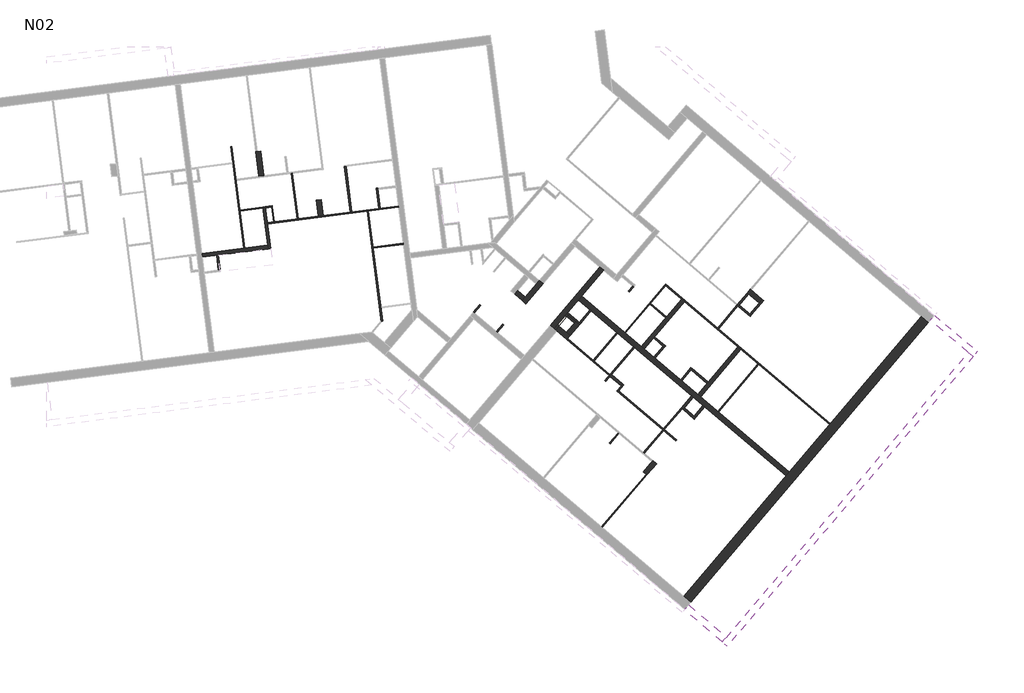
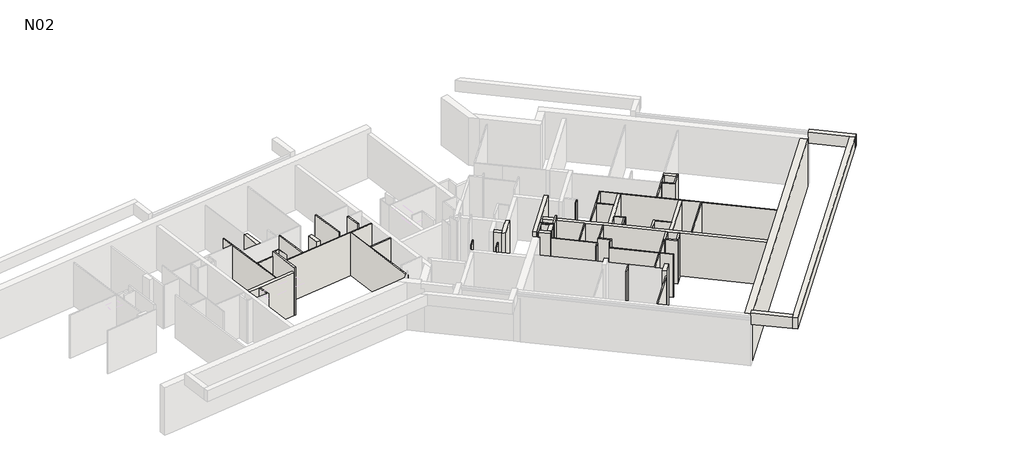
# One storey, part 2 of 3: 61 walls.
"""IFC4 building model written with IfcOpenShell, lengths in millimetres."""

import ifcopenshell
import ifcopenshell.guid

model = None  # the IFC model being written
_history = None  # IfcOwnerHistory: only IFC2X3 demands one
_inside = {}  # id of a spatial element -> (the spatial element, [elements in it])
_under = {}  # id of a project, library or spatial element -> (it, [spatial elements below it])
_declared = {}  # id of a project -> (the project, [libraries it declares])
_typed = {}  # id of a type object -> (the type object, [elements of that type])
_made_of = {}  # id of a material, layer set ... -> (it, [elements and type objects made of it])


def new_model(schema):
    """Start an empty IFC model of exactly this schema.

    Asked for "IFC4X3", IfcOpenShell would pick the latest addendum, in which some entities
    have other attributes; the version numbers below select the first issue.
    IFC2X3 requires an IfcOwnerHistory on every rooted entity: one is made here for all.
    """
    global model, _history
    if schema == "IFC4X3":
        model = ifcopenshell.file(schema_version=(4, 3, 0, 0))
    else:
        model = ifcopenshell.file(schema=schema)
    _inside.clear()
    _under.clear()
    _declared.clear()
    _typed.clear()
    _made_of.clear()
    _history = None
    if model.schema == "IFC2X3":
        org = make("IfcOrganization", Name="unknown")
        user = make(
            "IfcPersonAndOrganization",
            ThePerson=make("IfcPerson", FamilyName="unknown"),
            TheOrganization=org,
        )
        app = make(
            "IfcApplication",
            ApplicationDeveloper=org,
            Version="unknown",
            ApplicationFullName="unknown",
            ApplicationIdentifier="unknown",
        )
        _history = make(
            "IfcOwnerHistory",
            OwningUser=user,
            OwningApplication=app,
            ChangeAction="ADDED",
            CreationDate=0,
        )
    return model


def make(cls, **values):
    """One entity of the class cls with the attributes given. An attribute that is None is left unset."""
    return model.create_entity(
        cls, **{name: value for name, value in values.items() if value is not None}
    )


def rooted(cls, **values):
    """An entity with a GlobalId (a new one), such as an element, a storey or a relation."""
    return make(cls, GlobalId=ifcopenshell.guid.new(), OwnerHistory=_history, **values)


def si_unit(unit_type, name, prefix=None):
    """IfcSIUnit, for example si_unit("LENGTHUNIT", "METRE", prefix="MILLI")."""
    return make("IfcSIUnit", UnitType=unit_type, Prefix=prefix, Name=name)


def assignment(units):
    """IfcUnitAssignment: the units of a project."""
    return None if units is None else make("IfcUnitAssignment", Units=units)


def point(xyz):
    """IfcCartesianPoint."""
    return None if xyz is None else make("IfcCartesianPoint", Coordinates=xyz)


def direction(xyz):
    """IfcDirection."""
    return None if xyz is None else make("IfcDirection", DirectionRatios=xyz)


def frame(location, z_axis=None, x_axis=None):
    """IfcAxis2Placement3D, a coordinate frame: its origin and axes. An axis left out is left unset."""
    return make(
        "IfcAxis2Placement3D",
        Location=point(location),
        Axis=direction(z_axis),
        RefDirection=direction(x_axis),
    )


def origin():
    """The frame at (0, 0, 0) with its axes left unset."""
    return frame((0.0, 0.0, 0.0))


def place(relative_to, where):
    """IfcLocalPlacement: puts the frame where relative to a parent placement (None: the world)."""
    return make(
        "IfcLocalPlacement", PlacementRelTo=relative_to, RelativePlacement=where
    )


def context(
    kind, dimensions, precision=None, world=None, true_north=None, identifier=None
):
    """IfcGeometricRepresentationContext, for example the 3D "Model" context."""
    return make(
        "IfcGeometricRepresentationContext",
        ContextIdentifier=identifier,
        ContextType=kind,
        CoordinateSpaceDimension=dimensions,
        Precision=precision,
        WorldCoordinateSystem=world,
        TrueNorth=true_north,
    )


def project(units=None, contexts=None):
    """IfcProject with its units and contexts."""
    return rooted(
        "IfcProject",
        Name="project",
        RepresentationContexts=contexts,
        UnitsInContext=assignment(units),
    )


def spatial(cls, under=None, at=None, **own):
    """A site, building, storey or space (cls), placed at a placement, below another one or the project."""
    s = rooted(cls, ObjectPlacement=at, **own)
    if under is not None:
        _under.setdefault(under.id(), (under, []))[1].append(s)
    return s


def polyline(points):
    """IfcPolyline through the points."""
    return make("IfcPolyline", Points=[point(p) for p in points])


def outline(outer, holes=None, kind="AREA"):
    """IfcArbitraryClosedProfileDef: a profile drawn as a closed curve; with holes, ...WithVoids."""
    if holes is None:
        return make("IfcArbitraryClosedProfileDef", ProfileType=kind, OuterCurve=outer)
    return make(
        "IfcArbitraryProfileDefWithVoids",
        ProfileType=kind,
        OuterCurve=outer,
        InnerCurves=holes,
    )


def extrude(swept, where, along, depth):
    """IfcExtrudedAreaSolid: the profile swept, set in the frame where, extruded along a direction by depth."""
    return make(
        "IfcExtrudedAreaSolid",
        SweptArea=swept,
        Position=where,
        ExtrudedDirection=direction(along),
        Depth=depth,
    )


def faces_of(points, faces, orient=None, outer=None):
    """IfcFace entities. A face is a list of loops; a loop is a list of indices into points, from 0.

    orient and outer hold one flag for each loop. By default every Orientation is true, the
    first loop of a face is its IfcFaceOuterBound and the others are IfcFaceBound.
    """
    made = []
    for i, loops in enumerate(faces):
        bounds = []
        for j, loop in enumerate(loops):
            is_outer = j == 0 if outer is None else outer[i][j]
            bounds.append(
                make(
                    "IfcFaceOuterBound" if is_outer else "IfcFaceBound",
                    Bound=make("IfcPolyLoop", Polygon=[points[k] for k in loop]),
                    Orientation=True if orient is None else orient[i][j],
                )
            )
        made.append(make("IfcFace", Bounds=bounds))
    return made


def faceted_brep(points, faces, orient=None, outer=None, voids=None):
    """IfcFacetedBrep: a solid bounded by flat faces; with voids (closed shells), ...WithVoids."""
    shared = [point(p) for p in points]
    hull = make("IfcClosedShell", CfsFaces=faces_of(shared, faces, orient, outer))
    if voids is None:
        return make("IfcFacetedBrep", Outer=hull)
    return make(
        "IfcFacetedBrepWithVoids",
        Outer=hull,
        Voids=[
            make(cls, CfsFaces=faces_of(shared, fs, o, b)) for cls, fs, o, b in voids
        ],
    )


def shape(context_of_items, identifier, shape_type, items):
    """IfcShapeRepresentation: the items that make up one representation, for example the "Body"."""
    return make(
        "IfcShapeRepresentation",
        ContextOfItems=context_of_items,
        RepresentationIdentifier=identifier,
        RepresentationType=shape_type,
        Items=items,
    )


def made_of(thing, what):
    """Note that an element or type object is made of a material, layer set ...; save() writes the relation."""
    if what is not None:
        _made_of.setdefault(what.id(), (what, []))[1].append(thing)
    return thing


def element(
    cls,
    number,
    at=None,
    inside=None,
    cuts=None,
    type_object=None,
    material=None,
    context=None,
    identifier="Body",
    shape_type=None,
    held_by="IfcProductDefinitionShape",
    body=None,
    shapes=None,
    **own,
):
    """One element of the class cls, such as IfcWall. Its Tag is "e" and its number.

    at: its placement. inside: the storey or other place that contains it. cuts: it is an
    opening in that element (IfcRelVoidsElement). A single representation is given by context,
    identifier, shape_type and body (its items); several are given by shapes. held_by: the class
    of the entity that holds the representations. save() writes the other relations.
    """
    e = rooted(cls, Tag="e%d" % number, ObjectPlacement=at, **own)
    if body is not None:
        shapes = [shape(context, identifier, shape_type, body)]
    if shapes is not None:
        e.Representation = make(held_by, Representations=shapes)
    if inside is not None:
        _inside.setdefault(inside.id(), (inside, []))[1].append(e)
    if cuts is not None:
        rooted(
            "IfcRelVoidsElement", RelatingBuildingElement=cuts, RelatedOpeningElement=e
        )
    if type_object is not None:
        _typed.setdefault(type_object.id(), (type_object, []))[1].append(e)
    return made_of(e, material)


def aggregate(whole, parts):
    """IfcRelAggregates: a whole, such as a stair, and the parts it consists of."""
    return rooted("IfcRelAggregates", RelatingObject=whole, RelatedObjects=parts)


def save(model, path):
    """Write the relations noted so far, then the file.

    IfcRelAggregates (storeys below a building ...), IfcRelContainedInSpatialStructure (elements
    in a storey), IfcRelDefinesByType, IfcRelAssociatesMaterial and IfcRelDeclares: one each for
    every whole, place, type object, material and project.
    """
    for whole, parts in _under.values():
        aggregate(whole, parts)
    for where, things in _inside.values():
        rooted(
            "IfcRelContainedInSpatialStructure",
            RelatedElements=things,
            RelatingStructure=where,
        )
    for kind, things in _typed.values():
        rooted("IfcRelDefinesByType", RelatedObjects=things, RelatingType=kind)
    for what, things in _made_of.values():
        rooted("IfcRelAssociatesMaterial", RelatedObjects=things, RelatingMaterial=what)
    for by, libraries in _declared.values():
        rooted("IfcRelDeclares", RelatingContext=by, RelatedDefinitions=libraries)
    model.write(path)


model = new_model("IFC4")

# Units and contexts
model_context = context("Model", 3, world=origin())
ifc_project = project(units=[si_unit("LENGTHUNIT", "METRE", prefix="MILLI")], contexts=[model_context])

# Site, building, storey
site = spatial("IfcSite", under=ifc_project)
building = spatial("IfcBuilding", under=site)
storey = spatial("IfcBuildingStorey", under=building, Name="N02", Elevation=5840.0)

# Walls
placement = place(None, origin())
element("IfcWall", 1, at=placement, inside=storey, context=model_context, shape_type="Brep", body=[
    faceted_brep([(28349.5327638, 14866.2082043, 5840.0), (23044.8025054, 8615.744738, 5840.0), (22915.3884819, 8463.2586386, 5840.0), (18798.7778311, 3612.7340644, 5840.0), (18798.7778311, 3612.7340644, 8610.0), (28349.5327638, 14866.2082043, 8610.0), (19080.8771151, 3373.318121, 5840.0), (28631.6320478, 14626.7922609, 5840.0), (28631.6320478, 14626.7922609, 8610.0), (19080.8771151, 3373.318121, 8610.0)], [[[0, 1, 2, 3, 4, 5]], [[6, 7, 8, 9]], [[3, 2, 1, 0, 7, 6]], [[5, 4, 9, 8]], [[0, 5, 8, 7]], [[4, 3, 6, 9]]]),
])
element("IfcWall", 2, at=placement, inside=storey, context=model_context, shape_type="Brep", body=[
    faceted_brep([(23044.8025054, 8615.744738, 5840.0), (20203.3756075, 11027.2464329, 5840.0), (20165.2540826, 11059.5999387, 5840.0), (19479.0666351, 11641.9630444, 5840.0), (19357.0777555, 11745.4942632, 5840.0), (18724.2604428, 12282.5624606, 5840.0), (18670.890308, 12327.8573688, 5840.0), (17219.7762145, 13559.409058, 5840.0), (17097.7873349, 13662.9402767, 5840.0), (16457.3457172, 14206.4791754, 5840.0), (16419.2241924, 14238.8326812, 5840.0), (14698.6274171, 15699.0926804, 5840.0), (14698.6274171, 15699.0926804, 8340.0), (16419.2241924, 14238.8326812, 8340.0), (16457.3457172, 14206.4791754, 8340.0), (17097.7873349, 13662.9402767, 8340.0), (17219.7762145, 13559.409058, 8340.0), (18670.890308, 12327.8573688, 8340.0), (18724.2604428, 12282.5624606, 8340.0), (19357.0777555, 11745.4942632, 8340.0), (19479.0666351, 11641.9630444, 8340.0), (20165.2540826, 11059.5999387, 8340.0), (20203.3756075, 11027.2464329, 8340.0), (23044.8025054, 8615.744738, 8340.0), (22915.3884819, 8463.2586386, 5840.0), (22915.3884819, 8463.2586386, 8340.0), (19648.4348699, 11235.9022629, 8340.0), (19572.1918202, 11300.6092746, 8340.0), (19190.9765715, 11624.1443333, 8340.0), (19114.7335218, 11688.851345, 8340.0), (16822.4519677, 13634.2967327, 8340.0), (16784.3304428, 13666.6502385, 8340.0), (16151.51313, 14203.718436, 8340.0), (16113.3916052, 14236.0719418, 8340.0), (14569.2133936, 15546.6065809, 8340.0), (14569.2133936, 15546.6065809, 5840.0), (16113.3916052, 14236.0719418, 5840.0), (16151.51313, 14203.718436, 5840.0), (16784.3304428, 13666.6502385, 5840.0), (16822.4519677, 13634.2967327, 5840.0), (19114.7335218, 11688.851345, 5840.0), (19190.9765715, 11624.1443333, 5840.0), (19572.1918202, 11300.6092746, 5840.0), (19648.4348699, 11235.9022629, 5840.0)], [[[0, 1, 2, 3, 4, 5, 6, 7, 8, 9, 10, 11, 12, 13, 14, 15, 16, 17, 18, 19, 20, 21, 22, 23]], [[24, 25, 26, 27, 28, 29, 30, 31, 32, 33, 34, 35, 36, 37, 38, 39, 40, 41, 42, 43]], [[11, 10, 9, 8, 7, 6, 5, 4, 3, 2, 1, 0, 24, 43, 42, 41, 40, 39, 38, 37, 36, 35]], [[23, 22, 21, 20, 19, 18, 17, 16, 15, 14, 13, 12, 34, 33, 32, 31, 30, 29, 28, 27, 26, 25]], [[0, 23, 25, 24]], [[12, 11, 35, 34]]]),
])
element("IfcWall", 3, at=placement, inside=storey, context=model_context, shape_type="Brep", body=[
    faceted_brep([(30240.6121576, 13431.7679907, 8280.0), (20521.6189944, 1980.0619216, 8280.0), (20353.3807639, 1781.8299923, 8280.0), (20353.3807639, 1781.8299923, 8920.0), (20521.6189944, 1980.0619216, 8920.0), (30240.6121576, 13431.7679907, 8920.0), (30438.8440869, 13263.5297602, 8280.0), (30438.8440869, 13263.5297602, 8920.0), (20551.6126932, 1613.5917618, 8920.0), (20551.6126932, 1613.5917618, 8280.0)], [[[0, 1, 2, 3, 4, 5]], [[6, 7, 8, 9]], [[2, 1, 0, 6, 9]], [[5, 4, 3, 8, 7]], [[0, 5, 7, 6]], [[3, 2, 9, 8]]]),
])
element("IfcWall", 4, at=placement, inside=storey, context=model_context, shape_type="SweptSolid", body=[
    extrude(outline(polyline([(18996.7579999, 3274.2021564), (20521.6189944, 1980.0619216), (20353.3807639, 1781.8299923), (18828.5197694, 3075.9702271), (18996.7579999, 3274.2021564)])), frame((0.0, 0.0, 8280.0), z_axis=(0.0, 0.0, 1.0), x_axis=(1.0, 0.0, 0.0)), (0.0, 0.0, 1.0), 640.0),
])
element("IfcWall", 5, at=placement, inside=storey, context=model_context, shape_type="Brep", body=[
    faceted_brep([(13586.371073, 14388.5420388, 5840.0), (14569.2133936, 15546.6065809, 5840.0), (14698.6274171, 15699.0926804, 5840.0), (15578.6427768, 16735.9981567, 5840.0), (15578.6427768, 16735.9981567, 8610.0), (13586.371073, 14388.5420388, 8610.0), (13433.8849736, 14517.9560622, 5840.0), (13433.8849736, 14517.9560622, 8340.0), (13433.8849736, 14517.9560622, 8610.0), (15426.1566773, 16865.4121802, 8610.0), (15426.1566773, 16865.4121802, 5840.0)], [[[0, 1, 2, 3, 4, 5]], [[6, 7, 8, 9, 10]], [[3, 2, 1, 0, 6, 10]], [[5, 4, 9, 8]], [[0, 5, 8, 7, 6]], [[4, 3, 10, 9]]]),
])
element("IfcWall", 6, at=placement, inside=storey, context=model_context, shape_type="Brep", body=[
    faceted_brep([(28715.751163, 14725.9082255, 8280.0), (30240.6121576, 13431.7679907, 8280.0), (30438.8440869, 13263.5297602, 8280.0), (30438.8440869, 13263.5297602, 8920.0), (30240.6121576, 13431.7679907, 8920.0), (28715.751163, 14725.9082255, 8920.0), (30607.0823174, 13461.7616895, 8280.0), (28883.9893936, 14924.1401548, 8280.0), (28883.9893936, 14924.1401548, 8600.0), (28894.0525555, 14915.5996106, 8600.0), (28894.0525555, 14915.5996106, 8752.4), (28883.9893936, 14924.1401548, 8752.4), (28883.9893936, 14924.1401548, 8920.0), (30607.0823174, 13461.7616895, 8920.0), (28871.0479912, 14908.8915449, 8752.4), (28871.0479912, 14908.8915449, 8610.0), (28871.0479912, 14908.8915449, 8600.0), (28881.1111531, 14900.3510007, 8600.0), (28881.1111531, 14900.3510007, 8752.4)], [[[0, 1, 2, 3, 4, 5]], [[6, 7, 8, 9, 10, 11, 12, 13]], [[2, 1, 0, 7, 6]], [[5, 4, 3, 13, 12]], [[3, 2, 6, 13]], [[7, 0, 5, 12, 11, 14, 15, 16, 8]], [[17, 18, 10, 9]], [[18, 17, 16, 15, 14]], [[10, 18, 14, 11]], [[17, 9, 8, 16]]]),
])
element("IfcWall", 7, at=placement, inside=storey, context=model_context, shape_type="Brep", body=[
    faceted_brep([(12998.0125548, 16326.6822904, 5840.0), (12868.5985313, 16174.196191, 5840.0), (12435.0615526, 15663.3677578, 5840.0), (12305.6475292, 15510.8816583, 5840.0), (12305.6475292, 15510.8816583, 8340.0), (12435.0615526, 15663.3677578, 8340.0), (12868.5985313, 16174.196191, 8340.0), (12998.0125548, 16326.6822904, 8340.0), (13150.4986542, 16197.2682669, 5840.0), (13150.4986542, 16197.2682669, 8340.0), (12458.1336286, 15381.4676348, 8340.0), (12458.1336286, 15381.4676348, 5840.0)], [[[0, 1, 2, 3, 4, 5, 6, 7]], [[8, 9, 10, 11]], [[3, 2, 1, 0, 8, 11]], [[7, 6, 5, 4, 10, 9]], [[4, 3, 11, 10]], [[0, 7, 9, 8]]]),
])
element("IfcWall", 8, at=placement, inside=storey, context=model_context, shape_type="SweptSolid", body=[
    extrude(outline(polyline([(12305.6475292, 15510.8816583), (12000.6753302, 15769.7097053), (12130.0893537, 15922.1958047), (12435.0615526, 15663.3677578), (12305.6475292, 15510.8816583)])), frame((0.0, 0.0, 5840.0), z_axis=(0.0, 0.0, 1.0), x_axis=(1.0, 0.0, 0.0)), (0.0, 0.0, 1.0), 2500.0),
])
element("IfcWall", 9, at=placement, inside=storey, context=model_context, shape_type="SweptSolid", body=[
    extrude(outline(polyline([(14152.0802044, 14931.4722172), (14457.0524033, 14672.6441703), (14405.2867939, 14611.6497305), (14100.314595, 14870.4777775), (14152.0802044, 14931.4722172)])), frame((0.0, 0.0, 5840.0), z_axis=(0.0, 0.0, 1.0), x_axis=(1.0, 0.0, 0.0)), (0.0, 0.0, 1.0), 2770.0),
])
element("IfcWall", 10, at=placement, inside=storey, context=model_context, shape_type="Brep", body=[
    faceted_brep([(14091.0857646, 14983.2378266, 5840.0), (13586.371073, 14388.5420388, 5840.0), (13586.371073, 14388.5420388, 8610.0), (14091.0857646, 14983.2378266, 8610.0), (14019.9080517, 14899.3704719, 7340.0), (13728.7264989, 14556.2767482, 7340.0), (13728.7264989, 14556.2767482, 6340.0), (14019.9080517, 14899.3704719, 6340.0), (13647.3655128, 14336.7764294, 8610.0), (13647.3655128, 14336.7764294, 5840.0), (13776.7795363, 14489.2625288, 5840.0), (14100.314595, 14870.4777775, 5840.0), (14152.0802044, 14931.4722172, 5840.0), (14152.0802044, 14931.4722172, 8610.0), (14100.314595, 14870.4777775, 8610.0), (13776.7795363, 14489.2625288, 8610.0), (13789.7209386, 14504.5111388, 7340.0), (14080.9024915, 14847.6048625, 7340.0), (14080.9024915, 14847.6048625, 6340.0), (13789.7209386, 14504.5111388, 6340.0)], [[[0, 1, 2, 3], [4, 5, 6, 7]], [[8, 9, 10, 11, 12, 13, 14, 15], [16, 17, 18, 19]], [[1, 0, 12, 11, 10, 9]], [[3, 2, 8, 15, 14, 13]], [[4, 17, 16, 5]], [[6, 19, 18, 7]], [[17, 4, 7, 18]], [[5, 16, 19, 6]], [[0, 3, 13, 12]], [[1, 9, 8, 2]]]),
])
element("IfcWall", 11, at=placement, inside=storey, context=model_context, shape_type="Brep", body=[
    faceted_brep([(13647.3655128, 14336.7764294, 5840.0), (13700.7356476, 14291.4815212, 5840.0), (14104.8238112, 13948.5343589, 5840.0), (14104.8238112, 13948.5343589, 8340.0), (14104.8238112, 13948.5343589, 8610.0), (13647.3655128, 14336.7764294, 8610.0), (13776.7795363, 14489.2625288, 5840.0), (13776.7795363, 14489.2625288, 8610.0), (14081.7517352, 14230.4344819, 8610.0), (14234.2378347, 14101.0204584, 8610.0), (14234.2378347, 14101.0204584, 5840.0), (14081.7517352, 14230.4344819, 5840.0), (14137.1773171, 13986.6558838, 5840.0)], [[[0, 1, 2, 3, 4, 5]], [[6, 7, 8, 9, 10, 11]], [[2, 1, 0, 6, 11, 10, 12]], [[5, 4, 9, 8, 7]], [[4, 3, 2, 12, 10, 9]], [[0, 5, 7, 6]]]),
])
element("IfcWall", 12, at=placement, inside=storey, context=model_context, shape_type="Brep", body=[
    faceted_brep([(14234.2378347, 14101.0204584, 8610.0), (14234.2378347, 14101.0204584, 5840.0), (14609.5385027, 14543.2301468, 5840.0), (14609.5385027, 14543.2301468, 8610.0), (14081.7517352, 14230.4344819, 5840.0), (14081.7517352, 14230.4344819, 8610.0), (14405.2867939, 14611.6497305, 8610.0), (14457.0524033, 14672.6441703, 8610.0), (14457.0524033, 14672.6441703, 5840.0), (14405.2867939, 14611.6497305, 5840.0)], [[[0, 1, 2, 3]], [[4, 5, 6, 7, 8, 9]], [[2, 1, 4, 9, 8]], [[0, 3, 7, 6, 5]], [[0, 5, 4, 1]], [[3, 2, 8, 7]]]),
])
element("IfcWall", 13, ObjectType="CLO 10", at=placement, inside=storey, context=model_context, shape_type="Brep", body=[
    faceted_brep([(2196.7926161, 17609.779786, 5840.0), (2070.0916156, 18601.1139866, 5840.0), (2063.7527505, 18650.7105469, 5840.0), (1987.6863688, 19245.8692699, 5840.0), (1981.3475037, 19295.4658301, 5840.0), (1981.3475037, 19295.4658301, 8610.0), (1987.6863688, 19245.8692699, 8610.0), (2196.7926161, 17609.779786, 8610.0), (2097.5994956, 17597.1020558, 5840.0), (2097.5994956, 17597.1020558, 8340.0), (2097.5994956, 17597.1020558, 8610.0), (1882.1543832, 19282.7880998, 8610.0), (1882.1543832, 19282.7880998, 8340.0), (1882.1543832, 19282.7880998, 5840.0), (1888.4932483, 19233.1915396, 5840.0), (2077.3151272, 17755.8110486, 5840.0)], [[[0, 1, 2, 3, 4, 5, 6, 7]], [[8, 9, 10, 11, 12, 13, 14, 15]], [[4, 3, 2, 1, 0, 8, 15, 14, 13]], [[7, 6, 5, 11, 10]], [[0, 7, 10, 9, 8]], [[4, 13, 12, 11, 5]]]),
])
element("IfcWall", 14, ObjectType="CLO 10", at=placement, inside=storey, context=model_context, shape_type="Brep", body=[
    faceted_brep([(19114.7335218, 11688.851345, 5840.0), (18694.1379455, 11193.2715218, 5840.0), (18694.1379455, 11193.2715218, 8340.0), (19114.7335218, 11688.851345, 8340.0), (19190.9765715, 11624.1443333, 5840.0), (19190.9765715, 11624.1443333, 8340.0), (18835.0880069, 11204.8075598, 8340.0), (18770.3809952, 11128.5645101, 8340.0), (18770.3809952, 11128.5645101, 5840.0), (18835.0880069, 11204.8075598, 5840.0), (18732.2594703, 11160.9180159, 5840.0), (18732.2594703, 11160.9180159, 8340.0)], [[[0, 1, 2, 3]], [[4, 5, 6, 7, 8, 9]], [[1, 0, 4, 9, 8, 10]], [[3, 2, 11, 7, 6, 5]], [[0, 3, 5, 4]], [[2, 1, 10, 8, 7, 11]]]),
])
element("IfcWall", 15, ObjectType="CLO 10", at=placement, inside=storey, context=model_context, shape_type="Brep", body=[
    faceted_brep([(18770.3809952, 11128.5645101, 5840.0), (19227.8392936, 10740.3224396, 5840.0), (19227.8392936, 10740.3224396, 8340.0), (18770.3809952, 11128.5645101, 8340.0), (18835.0880069, 11204.8075598, 5840.0), (18835.0880069, 11204.8075598, 8340.0), (19216.3032556, 10881.2725011, 8340.0), (19292.5463053, 10816.5654894, 8340.0), (19292.5463053, 10816.5654894, 5840.0), (19216.3032556, 10881.2725011, 5840.0)], [[[0, 1, 2, 3]], [[4, 5, 6, 7, 8, 9]], [[1, 0, 4, 9, 8]], [[3, 2, 7, 6, 5]], [[2, 1, 8, 7]], [[0, 3, 5, 4]]]),
])
element("IfcWall", 16, ObjectType="CLO 10", at=placement, inside=storey, context=model_context, shape_type="SweptSolid", body=[
    extrude(outline(polyline([(19648.4348699, 11235.9022629), (19292.5463053, 10816.5654894), (19216.3032556, 10881.2725011), (19572.1918202, 11300.6092746), (19648.4348699, 11235.9022629)])), frame((0.0, 0.0, 5840.0), z_axis=(0.0, 0.0, 1.0), x_axis=(1.0, 0.0, 0.0)), (0.0, 0.0, 1.0), 2500.0),
])
element("IfcWall", 17, ObjectType="CLO 10", at=placement, inside=storey, context=model_context, shape_type="SweptSolid", body=[
    extrude(outline(polyline([(15897.1416998, 12544.0211215), (16354.5999982, 12155.7790511), (16289.8929864, 12079.5360014), (15832.4346881, 12467.7780718), (15897.1416998, 12544.0211215)])), frame((0.0, 0.0, 5840.0), z_axis=(0.0, 0.0, 1.0), x_axis=(1.0, 0.0, 0.0)), (0.0, 0.0, 1.0), 2770.0),
])
element("IfcWall", 18, ObjectType="CLO 2", at=placement, inside=storey, context=model_context, shape_type="Brep", body=[
    faceted_brep([(2235.6691701, 19277.5635956, 5840.0), (2311.7355518, 18682.4048725, 5840.0), (2311.7355518, 18682.4048725, 8610.0), (2235.6691701, 19277.5635956, 8610.0), (2255.5077942, 19280.0991416, 5840.0), (2255.5077942, 19280.0991416, 8610.0), (2331.5741759, 18684.9404186, 8610.0), (2331.5741759, 18684.9404186, 7940.0), (2331.5741759, 18684.9404186, 5840.0)], [[[0, 1, 2, 3]], [[4, 5, 6, 7, 8]], [[1, 0, 4, 8]], [[3, 2, 6, 5]], [[0, 3, 5, 4]], [[2, 1, 8, 7, 6]]]),
])
element("IfcWall", 19, ObjectType="CLO 5", at=placement, inside=storey, context=model_context, shape_type="Brep", body=[
    faceted_brep([(24711.8920463, 10549.1363042, 5840.0), (18071.0651233, 16185.1656498, 5840.0), (18071.0651233, 16185.1656498, 8340.0), (20160.1819776, 14412.144905, 8340.0), (20198.3035024, 14379.7913992, 8340.0), (24711.8920463, 10549.1363042, 8340.0), (24679.5385405, 10511.0147794, 5840.0), (24679.5385405, 10511.0147794, 8340.0), (21822.8630326, 12935.4578765, 8340.0), (21784.7415077, 12967.8113824, 8340.0), (21098.5540602, 13550.1744881, 8340.0), (20976.5651806, 13653.7057069, 8340.0), (18839.2636396, 15467.6205017, 8340.0), (18717.2747601, 15571.1517204, 8340.0), (18076.8331423, 16114.690619, 8340.0), (18038.7116175, 16147.0441249, 8340.0), (18038.7116175, 16147.0441249, 5840.0), (18076.8331423, 16114.690619, 5840.0), (18717.2747601, 15571.1517204, 5840.0), (18839.2636396, 15467.6205017, 5840.0), (20976.5651806, 13653.7057069, 5840.0), (21098.5540602, 13550.1744881, 5840.0), (21784.7415077, 12967.8113824, 5840.0), (21822.8630326, 12935.4578765, 5840.0)], [[[0, 1, 2, 3, 4, 5]], [[6, 7, 8, 9, 10, 11, 12, 13, 14, 15, 16, 17, 18, 19, 20, 21, 22, 23]], [[1, 0, 6, 23, 22, 21, 20, 19, 18, 17, 16]], [[5, 4, 3, 2, 15, 14, 13, 12, 11, 10, 9, 8, 7]], [[0, 5, 7, 6]], [[2, 1, 16, 15]]]),
])
element("IfcWall", 20, ObjectType="CLO 5", at=placement, inside=storey, context=model_context, shape_type="Brep", body=[
    faceted_brep([(17442.7044273, 15367.5087317, 5840.0), (18083.146045, 14823.9698331, 5840.0), (18083.146045, 14823.9698331, 8340.0), (17442.7044273, 15367.5087317, 8340.0), (17442.7044273, 15367.5087317, 7940.0), (17475.0579332, 15405.6302566, 5840.0), (17475.0579332, 15405.6302566, 7940.0), (17475.0579332, 15405.6302566, 8340.0), (18115.4995509, 14862.091358, 8340.0), (18115.4995509, 14862.091358, 5840.0)], [[[0, 1, 2, 3, 4]], [[5, 6, 7, 8, 9]], [[1, 0, 5, 9]], [[3, 2, 8, 7]], [[0, 4, 3, 7, 6, 5]], [[2, 1, 9, 8]]]),
])
element("IfcWall", 21, ObjectType="CLO 5", at=placement, inside=storey, context=model_context, shape_type="SweptSolid", body=[
    extrude(outline(polyline([(21822.8630326, 12935.4578765), (20203.3756075, 11027.2464329), (20165.2540826, 11059.5999387), (21784.7415077, 12967.8113824), (21822.8630326, 12935.4578765)])), frame((0.0, 0.0, 5840.0), z_axis=(0.0, 0.0, 1.0), x_axis=(1.0, 0.0, 0.0)), (0.0, 0.0, 1.0), 2500.0),
])
element("IfcWall", 22, ObjectType="CLO 5", at=placement, inside=storey, context=model_context, shape_type="Brep", body=[
    faceted_brep([(18038.7116175, 16147.0441249, 5840.0), (16419.2241924, 14238.8326812, 5840.0), (16419.2241924, 14238.8326812, 8340.0), (18038.7116175, 16147.0441249, 8340.0), (18076.8331423, 16114.690619, 5840.0), (18076.8331423, 16114.690619, 8340.0), (17475.0579332, 15405.6302566, 8340.0), (17442.7044273, 15367.5087317, 8340.0), (16457.3457172, 14206.4791754, 8340.0), (16457.3457172, 14206.4791754, 5840.0), (17442.7044273, 15367.5087317, 5840.0), (17475.0579332, 15405.6302566, 5840.0)], [[[0, 1, 2, 3]], [[4, 5, 6, 7, 8, 9, 10, 11]], [[1, 0, 4, 11, 10, 9]], [[3, 2, 8, 7, 6, 5]], [[2, 1, 9, 8]], [[0, 3, 5, 4]]]),
])
element("IfcWall", 23, ObjectType="CLO 5", at=placement, inside=storey, context=model_context, shape_type="SweptSolid", body=[
    extrude(outline(polyline([(6311.9700665, 17673.0961097), (7522.1261366, 17827.764419), (7528.4650018, 17778.1678588), (6318.3089316, 17623.4995494), (6311.9700665, 17673.0961097)])), frame((0.0, 0.0, 5840.0), z_axis=(0.0, 0.0, 1.0), x_axis=(1.0, 0.0, 0.0)), (0.0, 0.0, 1.0), 2500.0),
])
element("IfcWall", 24, ObjectType="CLO 5", at=placement, inside=storey, context=model_context, shape_type="Brep", body=[
    faceted_brep([(2070.0916156, 18601.1139866, 5840.0), (6077.4936839, 19113.2942897, 5840.0), (6127.0902442, 19119.6331549, 5840.0), (7337.2463143, 19274.3014642, 5840.0), (7337.2463143, 19274.3014642, 8340.0), (6127.0902442, 19119.6331549, 8340.0), (6077.4936839, 19113.2942897, 8340.0), (2070.0916156, 18601.1139866, 8340.0), (2063.7527505, 18650.7105469, 5840.0), (2063.7527505, 18650.7105469, 8340.0), (3254.0701965, 18802.8433102, 8340.0), (3303.6667568, 18809.1821753, 8340.0), (7330.9074492, 19323.8980245, 8340.0), (7330.9074492, 19323.8980245, 5840.0), (6606.7976692, 19231.3505934, 5840.0), (6537.3624849, 19222.4761822, 5840.0), (5461.1171277, 19084.9228088, 5840.0), (5391.6819434, 19076.0483976, 5840.0), (4303.6661581, 18936.9906626, 5840.0), (4105.2799171, 18911.6352021, 5840.0), (3303.6667568, 18809.1821753, 5840.0), (3254.0701965, 18802.8433102, 5840.0), (2331.5741759, 18684.9404186, 5840.0), (2311.7355518, 18682.4048725, 5840.0)], [[[0, 1, 2, 3, 4, 5, 6, 7]], [[8, 9, 10, 11, 12, 13, 14, 15, 16, 17, 18, 19, 20, 21, 22, 23]], [[3, 2, 1, 0, 8, 23, 22, 21, 20, 19, 18, 17, 16, 15, 14, 13]], [[7, 6, 5, 4, 12, 11, 10, 9]], [[0, 7, 9, 8]], [[4, 3, 13, 12]]]),
])
element("IfcWall", 25, ObjectType="CLO 5", at=placement, inside=storey, context=model_context, shape_type="SweptSolid", body=[
    extrude(outline(polyline([(3070.3965197, 20634.3355925), (3303.6667568, 18809.1821753), (3254.0701965, 18802.8433102), (3020.7999595, 20627.9967274), (3070.3965197, 20634.3355925)])), frame((0.0, 0.0, 5840.0), z_axis=(0.0, 0.0, 1.0), x_axis=(1.0, 0.0, 0.0)), (0.0, 0.0, 1.0), 2500.0),
])
element("IfcWall", 26, ObjectType="CLO 5", at=placement, inside=storey, context=model_context, shape_type="Brep", body=[
    faceted_brep([(6692.4310716, 14696.2924149, 5840.0), (6318.3089316, 17623.4995494, 5840.0), (6311.9700665, 17673.0961097, 5840.0), (6127.0902442, 19119.6331549, 5840.0), (6127.0902442, 19119.6331549, 8340.0), (6311.9700665, 17673.0961097, 8340.0), (6318.3089316, 17623.4995494, 8340.0), (6692.4310716, 14696.2924149, 8340.0), (6648.6217842, 14644.672759, 5840.0), (6648.6217842, 14644.672759, 8340.0), (6077.4936839, 19113.2942897, 8340.0), (6077.4936839, 19113.2942897, 5840.0), (6640.0384435, 14711.8305493, 5840.0)], [[[0, 1, 2, 3, 4, 5, 6, 7]], [[8, 9, 10, 11, 12]], [[3, 2, 1, 0, 8, 12, 11]], [[7, 6, 5, 4, 10, 9]], [[0, 7, 9, 8]], [[4, 3, 11, 10]]]),
])
element("IfcWall", 27, ObjectType="CLO 5", at=placement, inside=storey, context=model_context, shape_type="SweptSolid", body=[
    extrude(outline(polyline([(959.6583625, 19164.8852083), (1882.1543832, 19282.7880998), (1888.4932483, 19233.1915396), (965.9972277, 19115.288648), (959.6583625, 19164.8852083)])), frame((0.0, 0.0, 5840.0), z_axis=(0.0, 0.0, 1.0), x_axis=(1.0, 0.0, 0.0)), (0.0, 0.0, 1.0), 2500.0),
])
element("IfcWall", 28, ObjectType="CLO 5", at=placement, inside=storey, context=model_context, shape_type="Brep", body=[
    faceted_brep([(584.0238698, 21709.5329332, 5840.0), (666.4291166, 21064.7776499, 5840.0), (672.7679817, 21015.1810896, 5840.0), (1105.2225462, 17631.5692919, 5840.0), (1105.2225462, 17631.5692919, 8340.0), (672.7679817, 21015.1810896, 8340.0), (666.4291166, 21064.7776499, 8340.0), (584.0238698, 21709.5329332, 8340.0), (633.62043, 21715.8717983, 5840.0), (633.62043, 21715.8717983, 8340.0), (802.4545071, 20394.8799025, 8340.0), (808.7933722, 20345.2833423, 8340.0), (959.6583625, 19164.8852083, 8340.0), (965.9972277, 19115.288648, 8340.0), (1154.8191065, 17637.908157, 8340.0), (1154.8191065, 17637.908157, 5840.0), (965.9972277, 19115.288648, 5840.0), (959.6583625, 19164.8852083, 5840.0), (808.7933722, 20345.2833423, 5840.0), (802.4545071, 20394.8799025, 5840.0)], [[[0, 1, 2, 3, 4, 5, 6, 7]], [[8, 9, 10, 11, 12, 13, 14, 15, 16, 17, 18, 19]], [[3, 2, 1, 0, 8, 19, 18, 17, 16, 15]], [[7, 6, 5, 4, 14, 13, 12, 11, 10, 9]], [[0, 7, 9, 8]], [[4, 3, 15, 14]]]),
])
element("IfcWall", 29, ObjectType="CLO 5", at=placement, inside=storey, context=model_context, shape_type="Brep", body=[
    faceted_brep([(2249.1689291, 19329.6957019, 5840.0), (1981.3475037, 19295.4658301, 5840.0), (1981.3475037, 19295.4658301, 8610.0), (2249.1689291, 19329.6957019, 8610.0), (2255.5077942, 19280.0991416, 5840.0), (2255.5077942, 19280.0991416, 8610.0), (2235.6691701, 19277.5635956, 8610.0), (1987.6863688, 19245.8692699, 8610.0), (1987.6863688, 19245.8692699, 5840.0), (2235.6691701, 19277.5635956, 5840.0)], [[[0, 1, 2, 3]], [[4, 5, 6, 7, 8, 9]], [[1, 0, 4, 9, 8]], [[3, 2, 7, 6, 5]], [[2, 1, 8, 7]], [[0, 3, 5, 4]]]),
])
element("IfcWall", 30, ObjectType="CLO 5", at=placement, inside=storey, context=model_context, shape_type="SweptSolid", body=[
    extrude(outline(polyline([(15493.7026942, 6417.7311946), (17282.8515688, 8525.8515196), (17320.9730937, 8493.4980137), (15531.8242191, 6385.3776887), (15493.7026942, 6417.7311946)])), frame((0.0, 0.0, 5840.0), z_axis=(0.0, 0.0, 1.0), x_axis=(1.0, 0.0, 0.0)), (0.0, 0.0, 1.0), 2500.0),
])
element("IfcWall", 31, ObjectType="CLO 5", at=placement, inside=storey, context=model_context, shape_type="Brep", body=[
    faceted_brep([(18516.0621645, 9901.6488926, 5840.0), (18020.4823412, 10322.2444689, 5840.0), (17982.3608164, 10354.5979748, 5840.0), (16185.6590855, 11879.4477861, 5840.0), (16147.5375606, 11911.801292, 5840.0), (16147.5375606, 11911.801292, 8340.0), (17982.3608164, 10354.5979748, 8340.0), (18020.4823412, 10322.2444689, 8340.0), (18516.0621645, 9901.6488926, 8340.0), (18483.7086586, 9863.5273678, 5840.0), (18483.7086586, 9863.5273678, 8340.0), (17988.1288353, 10284.1229441, 8340.0), (17950.0073105, 10316.4764499, 8340.0), (16115.1840547, 11873.6797671, 8340.0), (16115.1840547, 11873.6797671, 5840.0)], [[[0, 1, 2, 3, 4, 5, 6, 7, 8]], [[9, 10, 11, 12, 13, 14]], [[4, 3, 2, 1, 0, 9, 14]], [[8, 7, 6, 5, 13, 12, 11, 10]], [[0, 8, 10, 9]], [[5, 4, 14, 13]]]),
])
element("IfcWall", 32, ObjectType="CLO 5", at=placement, inside=storey, context=model_context, shape_type="Brep", body=[
    faceted_brep([(15657.7257564, 12261.9218376, 5840.0), (15832.4346881, 12467.7780718, 5840.0), (15897.1416998, 12544.0211215, 5840.0), (16822.4519677, 13634.2967327, 5840.0), (16822.4519677, 13634.2967327, 8340.0), (15657.7257564, 12261.9218376, 8340.0), (15619.6042315, 12294.2753434, 5840.0), (15619.6042315, 12294.2753434, 8340.0), (15801.4881222, 12508.5856963, 8340.0), (15833.841628, 12546.7072212, 8340.0), (16784.3304428, 13666.6502385, 8340.0), (16784.3304428, 13666.6502385, 5840.0)], [[[0, 1, 2, 3, 4, 5]], [[6, 7, 8, 9, 10, 11]], [[3, 2, 1, 0, 6, 11]], [[5, 4, 10, 9, 8, 7]], [[0, 5, 7, 6]], [[4, 3, 11, 10]]]),
])
element("IfcWall", 33, ObjectType="CLO 5", at=placement, inside=storey, context=model_context, shape_type="Brep", body=[
    faceted_brep([(15833.841628, 12546.7072212, 5840.0), (15201.0243153, 13083.7754186, 5840.0), (15162.9027904, 13116.1289245, 5840.0), (14137.1773171, 13986.6558838, 5840.0), (14137.1773171, 13986.6558838, 8340.0), (15162.9027904, 13116.1289245, 8340.0), (15201.0243153, 13083.7754186, 8340.0), (15833.841628, 12546.7072212, 8340.0), (15801.4881222, 12508.5856963, 5840.0), (15801.4881222, 12508.5856963, 8340.0), (14104.8238112, 13948.5343589, 8340.0), (14104.8238112, 13948.5343589, 5840.0)], [[[0, 1, 2, 3, 4, 5, 6, 7]], [[8, 9, 10, 11]], [[3, 2, 1, 0, 8, 11]], [[7, 6, 5, 4, 10, 9]], [[0, 7, 9, 8]], [[4, 3, 11, 10]]]),
])
element("IfcWall", 34, ObjectType="CLO 5", at=placement, inside=storey, context=model_context, shape_type="Brep", body=[
    faceted_brep([(16113.3916052, 14236.0719418, 5840.0), (15162.9027904, 13116.1289245, 5840.0), (15162.9027904, 13116.1289245, 8340.0), (16113.3916052, 14236.0719418, 8340.0), (16151.51313, 14203.718436, 5840.0), (16151.51313, 14203.718436, 8340.0), (15201.0243153, 13083.7754186, 8340.0), (15201.0243153, 13083.7754186, 7940.0), (15201.0243153, 13083.7754186, 5840.0)], [[[0, 1, 2, 3]], [[4, 5, 6, 7, 8]], [[1, 0, 4, 8]], [[3, 2, 6, 5]], [[0, 3, 5, 4]], [[2, 1, 8, 7, 6]]]),
])
element("IfcWall", 35, ObjectType="CLO 5", at=placement, inside=storey, context=model_context, shape_type="SweptSolid", body=[
    extrude(outline(polyline([(17982.3608164, 10354.5979748), (18694.1379455, 11193.2715218), (18732.2594703, 11160.9180159), (18020.4823412, 10322.2444689), (17982.3608164, 10354.5979748)])), frame((0.0, 0.0, 5840.0), z_axis=(0.0, 0.0, 1.0), x_axis=(1.0, 0.0, 0.0)), (0.0, 0.0, 1.0), 2500.0),
])
element("IfcWall", 36, ObjectType="CLO 5", at=placement, inside=storey, context=model_context, shape_type="SweptSolid", body=[
    extrude(outline(polyline([(17173.5231696, 9401.5598532), (17950.0073105, 10316.4764499), (17988.1288353, 10284.1229441), (17211.6446945, 9369.2063473), (17173.5231696, 9401.5598532)])), frame((0.0, 0.0, 5840.0), z_axis=(0.0, 0.0, 1.0), x_axis=(1.0, 0.0, 0.0)), (0.0, 0.0, 1.0), 2500.0),
])
element("IfcWall", 37, ObjectType="CLO 5", at=placement, inside=storey, context=model_context, shape_type="SweptSolid", body=[
    extrude(outline(polyline([(11564.0226558, 14540.1483144), (11305.1946088, 14235.1761155), (11267.073084, 14267.5296214), (11525.9011309, 14572.5018203), (11564.0226558, 14540.1483144)])), frame((0.0, 0.0, 5840.0), z_axis=(0.0, 0.0, 1.0), x_axis=(1.0, 0.0, 0.0)), (0.0, 0.0, 1.0), 2770.0),
])
element("IfcWall", 38, ObjectType="CLO 5", at=placement, inside=storey, context=model_context, shape_type="Brep", body=[
    faceted_brep([(10382.6537071, 15018.1309575, 5840.0), (10641.4817541, 15323.1031564, 5840.0), (10641.4817541, 15323.1031564, 8610.0), (10382.6537071, 15018.1309575, 8610.0), (10344.5321823, 15050.4844634, 5840.0), (10344.5321823, 15050.4844634, 8340.0), (10344.5321823, 15050.4844634, 8610.0), (10603.3602292, 15355.4566623, 8610.0), (10603.3602292, 15355.4566623, 5840.0)], [[[0, 1, 2, 3]], [[4, 5, 6, 7, 8]], [[1, 0, 4, 8]], [[2, 1, 8, 7]], [[3, 2, 7, 6]], [[0, 3, 6, 5, 4]]]),
])
element("IfcWall", 39, ObjectType="CLO 5", at=placement, inside=storey, context=model_context, shape_type="SweptSolid", body=[
    extrude(outline(polyline([(16574.9305796, 15890.454769), (16749.6395113, 16096.3110033), (16787.7610362, 16063.9574974), (16613.0521045, 15858.1012632), (16574.9305796, 15890.454769)])), frame((0.0, 0.0, 5840.0), z_axis=(0.0, 0.0, 1.0), x_axis=(1.0, 0.0, 0.0)), (0.0, 0.0, 1.0), 2500.0),
])
element("IfcWall", 40, ObjectType="CLO 5", at=placement, inside=storey, context=model_context, shape_type="SweptSolid", body=[
    extrude(outline(polyline([(20974.7876433, 15294.7079959), (20198.3035024, 14379.7913992), (20160.1819776, 14412.144905), (20936.6661184, 15327.0615018), (20955.7268809, 15310.8847488), (20963.3511858, 15304.4140477), (20974.7876433, 15294.7079959)])), frame((0.0, 0.0, 5840.0), z_axis=(0.0, 0.0, 1.0), x_axis=(1.0, 0.0, 0.0)), (0.0, 0.0, 1.0), 2500.0),
])
element("IfcWall", 41, ObjectType="CLO 5", at=placement, inside=storey, context=model_context, shape_type="Brep", body=[
    faceted_brep([(16185.6590855, 11879.4477861, 5840.0), (16392.721523, 12123.4255452, 5840.0), (16392.721523, 12123.4255452, 8610.0), (16185.6590855, 11879.4477861, 8610.0), (16147.5375606, 11911.801292, 5840.0), (16147.5375606, 11911.801292, 8340.0), (16147.5375606, 11911.801292, 8610.0), (16289.8929864, 12079.5360014, 8610.0), (16354.5999982, 12155.7790511, 8610.0), (16354.5999982, 12155.7790511, 5840.0), (16289.8929864, 12079.5360014, 5840.0)], [[[0, 1, 2, 3]], [[4, 5, 6, 7, 8, 9, 10]], [[1, 0, 4, 10, 9]], [[3, 2, 8, 7, 6]], [[2, 1, 9, 8]], [[0, 3, 6, 5, 4]]]),
])
element("IfcWall", 42, ObjectType="CLO 5", at=placement, inside=storey, context=model_context, shape_type="Brep", body=[
    faceted_brep([(15842.5085102, 9748.2618971, 5840.0), (16196.4064283, 10165.2531296, 5840.0), (16196.4064283, 10165.2531296, 8340.0), (15842.5085102, 9748.2618971, 8340.0), (15804.3869853, 9780.615403, 5840.0), (15804.3869853, 9780.615403, 8340.0), (16158.2849035, 10197.6066355, 8340.0), (16158.2849035, 10197.6066355, 7940.0), (16158.2849035, 10197.6066355, 5840.0)], [[[0, 1, 2, 3]], [[4, 5, 6, 7, 8]], [[1, 0, 4, 8]], [[3, 2, 6, 5]], [[0, 3, 5, 4]], [[2, 1, 8, 7, 6]]]),
])
element("IfcWall", 43, ObjectType="CLO 7", at=placement, inside=storey, context=model_context, shape_type="Brep", body=[
    faceted_brep([(18724.2604428, 12282.5624606, 5840.0), (19099.5611109, 12724.772149, 5840.0), (19144.8560191, 12778.1422838, 5840.0), (19144.8560191, 12778.1422838, 8340.0), (19099.5611109, 12724.772149, 8340.0), (18724.2604428, 12282.5624606, 8340.0), (18670.890308, 12327.8573688, 5840.0), (18670.890308, 12327.8573688, 8340.0), (19091.4858843, 12823.437192, 8340.0), (19091.4858843, 12823.437192, 5840.0)], [[[0, 1, 2, 3, 4, 5]], [[6, 7, 8, 9]], [[2, 1, 0, 6, 9]], [[5, 4, 3, 8, 7]], [[3, 2, 9, 8]], [[0, 5, 7, 6]]]),
])
element("IfcWall", 44, ObjectType="CLO 7", at=placement, inside=storey, context=model_context, shape_type="SweptSolid", body=[
    extrude(outline(polyline([(19732.3784236, 12187.7039516), (19099.5611109, 12724.772149), (19144.8560191, 12778.1422838), (19777.6733318, 12241.0740864), (19732.3784236, 12187.7039516)])), frame((0.0, 0.0, 5840.0), z_axis=(0.0, 0.0, 1.0), x_axis=(1.0, 0.0, 0.0)), (0.0, 0.0, 1.0), 2500.0),
])
element("IfcWall", 45, ObjectType="CLO 7", at=placement, inside=storey, context=model_context, shape_type="Brep", body=[
    faceted_brep([(20990.0362532, 15281.7665936, 5840.0), (21470.3674665, 14874.1124196, 5840.0), (21470.3674665, 14874.1124196, 8340.0), (20990.0362532, 15281.7665936, 8340.0), (21035.3311615, 15335.1367284, 5840.0), (21035.3311615, 15335.1367284, 8340.0), (21462.2922399, 14972.7774626, 8340.0), (21515.6623747, 14927.4825544, 8340.0), (21515.6623747, 14927.4825544, 5840.0), (21462.2922399, 14972.7774626, 5840.0)], [[[0, 1, 2, 3]], [[4, 5, 6, 7, 8, 9]], [[1, 0, 4, 9, 8]], [[3, 2, 7, 6, 5]], [[0, 3, 5, 4]], [[2, 1, 8, 7]]]),
])
element("IfcWall", 46, ObjectType="CLO 7", at=placement, inside=storey, context=model_context, shape_type="Brep", body=[
    faceted_brep([(21515.6623747, 14927.4825544, 5840.0), (22017.3202305, 15518.5765304, 5840.0), (22017.3202305, 15518.5765304, 8340.0), (21515.6623747, 14927.4825544, 8340.0), (21462.2922399, 14972.7774626, 5840.0), (21462.2922399, 14972.7774626, 8340.0), (21834.5360722, 15411.3853391, 8340.0), (21963.9500957, 15563.8714386, 8340.0), (21963.9500957, 15563.8714386, 5840.0), (21834.5360722, 15411.3853391, 5840.0)], [[[0, 1, 2, 3]], [[4, 5, 6, 7, 8, 9]], [[1, 0, 4, 9, 8]], [[3, 2, 7, 6, 5]], [[2, 1, 8, 7]], [[0, 3, 5, 4]]]),
])
element("IfcWall", 47, ObjectType="CLO 7", at=placement, inside=storey, context=model_context, shape_type="Brep", body=[
    faceted_brep([(20990.0362532, 15281.7665936, 5840.0), (21035.3311615, 15335.1367284, 5840.0), (21407.5749937, 15773.7446049, 5840.0), (21407.5749937, 15773.7446049, 8340.0), (21035.3311615, 15335.1367284, 8340.0), (20990.0362532, 15281.7665936, 8340.0), (20936.6661184, 15327.0615018, 5840.0), (20936.6661184, 15327.0615018, 8340.0), (20969.0196243, 15365.1830266, 8340.0), (21354.2048589, 15819.0395131, 8340.0), (21354.2048589, 15819.0395131, 5840.0), (20969.0196243, 15365.1830266, 5840.0), (20974.7876433, 15294.7079959, 5840.0), (20974.7876433, 15294.7079959, 8340.0)], [[[0, 1, 2, 3, 4, 5]], [[6, 7, 8, 9, 10, 11]], [[2, 1, 0, 12, 6, 11, 10]], [[5, 4, 3, 9, 8, 7, 13]], [[0, 5, 13, 7, 6, 12]], [[3, 2, 10, 9]]]),
])
element("IfcWall", 48, ObjectType="CLO 7", at=placement, inside=storey, context=model_context, shape_type="SweptSolid", body=[
    extrude(outline(polyline([(87.0876897, 17340.1414292), (161.8862983, 16754.9020183), (92.451114, 16746.0276071), (17.6525054, 17331.267018), (87.0876897, 17340.1414292)])), frame((0.0, 0.0, 5840.0), z_axis=(0.0, 0.0, 1.0), x_axis=(1.0, 0.0, 0.0)), (0.0, 0.0, 1.0), 2500.0),
])
element("IfcWall", 49, ObjectType="CLO 7", at=placement, inside=storey, context=model_context, shape_type="Brep", body=[
    faceted_brep([(14654.833411, 14596.6002816, 5840.0), (14601.4632762, 14641.8951898, 5840.0), (14136.3806728, 15036.6079614, 5840.0), (14136.3806728, 15036.6079614, 8610.0), (14601.4632762, 14641.8951898, 8610.0), (14654.833411, 14596.6002816, 8610.0), (14609.5385027, 14543.2301468, 5840.0), (14609.5385027, 14543.2301468, 8610.0), (14091.0857646, 14983.2378266, 8610.0), (14091.0857646, 14983.2378266, 5840.0)], [[[0, 1, 2, 3, 4, 5]], [[6, 7, 8, 9]], [[2, 1, 0, 6, 9]], [[3, 2, 9, 8]], [[5, 4, 3, 8, 7]], [[0, 5, 7, 6]]]),
])
element("IfcWall", 50, ObjectType="CLO 7", at=placement, inside=storey, context=model_context, shape_type="SweptSolid", body=[
    extrude(outline(polyline([(14601.4632762, 14641.8951898), (15034.295997, 15151.8938093), (15087.6661318, 15106.5989011), (14654.833411, 14596.6002816), (14601.4632762, 14641.8951898)])), frame((0.0, 0.0, 5840.0), z_axis=(0.0, 0.0, 1.0), x_axis=(1.0, 0.0, 0.0)), (0.0, 0.0, 1.0), 2770.0),
])
element("IfcWall", 51, ObjectType="CLO 7", at=placement, inside=storey, context=model_context, shape_type="Brep", body=[
    faceted_brep([(17595.0768826, 14001.6187464, 5840.0), (17972.7364333, 13681.1013869, 5840.0), (18026.1065681, 13635.8064787, 5840.0), (18026.1065681, 13635.8064787, 8340.0), (17972.7364333, 13681.1013869, 8340.0), (17595.0768826, 14001.6187464, 8340.0), (17640.3717908, 14054.9888812, 5840.0), (17640.3717908, 14054.9888812, 8340.0), (18071.4014763, 13689.1766135, 8340.0), (18071.4014763, 13689.1766135, 5840.0)], [[[0, 1, 2, 3, 4, 5]], [[6, 7, 8, 9]], [[2, 1, 0, 6, 9]], [[5, 4, 3, 8, 7]], [[3, 2, 9, 8]], [[0, 5, 7, 6]]]),
])
element("IfcWall", 52, ObjectType="CLO 7", at=placement, inside=storey, context=model_context, shape_type="SweptSolid", body=[
    extrude(outline(polyline([(17601.066228, 13243.1694042), (17972.7364333, 13681.1013869), (18026.1065681, 13635.8064787), (17654.4363629, 13197.874496), (17601.066228, 13243.1694042)])), frame((0.0, 0.0, 5840.0), z_axis=(0.0, 0.0, 1.0), x_axis=(1.0, 0.0, 0.0)), (0.0, 0.0, 1.0), 2500.0),
])
element("IfcWall", 53, ObjectType="CLO 7", at=placement, inside=storey, context=model_context, shape_type="Brep", body=[
    faceted_brep([(5461.1171277, 19084.9228088, 5840.0), (5227.8468906, 20910.076226, 5840.0), (5227.8468906, 20910.076226, 8610.0), (5461.1171277, 19084.9228088, 8610.0), (5391.6819434, 19076.0483976, 5840.0), (5391.6819434, 19076.0483976, 8610.0), (5158.4117063, 20901.2018149, 8610.0), (5158.4117063, 20901.2018149, 8340.0), (5158.4117063, 20901.2018149, 5840.0)], [[[0, 1, 2, 3]], [[4, 5, 6, 7, 8]], [[1, 0, 4, 8]], [[3, 2, 6, 5]], [[0, 3, 5, 4]], [[2, 1, 8, 7, 6]]]),
])
element("IfcWall", 54, ObjectType="CLO 7", at=placement, inside=storey, context=model_context, shape_type="Brep", body=[
    faceted_brep([(6433.6585574, 20033.8766423, 5840.0), (6537.3624849, 19222.4761822, 5840.0), (6537.3624849, 19222.4761822, 8610.0), (6433.6585574, 20033.8766423, 8610.0), (6503.0937417, 20042.7510535, 5840.0), (6503.0937417, 20042.7510535, 8610.0), (6511.9681529, 19973.3158691, 8610.0), (6606.7976692, 19231.3505934, 8610.0), (6606.7976692, 19231.3505934, 5840.0), (6511.9681529, 19973.3158691, 5840.0)], [[[0, 1, 2, 3]], [[4, 5, 6, 7, 8, 9]], [[1, 0, 4, 9, 8]], [[3, 2, 7, 6, 5]], [[0, 3, 5, 4]], [[2, 1, 8, 7]]]),
])
element("IfcWall", 55, ObjectType="EXT 16 ST", at=placement, inside=storey, context=model_context, shape_type="Brep", body=[
    faceted_brep([(20976.5651806, 13653.7057069, 5840.0), (19777.6733318, 12241.0740864, 5840.0), (19732.3784236, 12187.7039516, 5840.0), (19357.0777555, 11745.4942632, 5840.0), (19357.0777555, 11745.4942632, 8340.0), (19732.3784236, 12187.7039516, 8340.0), (19777.6733318, 12241.0740864, 8340.0), (20976.5651806, 13653.7057069, 8340.0), (21098.5540602, 13550.1744881, 5840.0), (21098.5540602, 13550.1744881, 8340.0), (19479.0666351, 11641.9630444, 8340.0), (19479.0666351, 11641.9630444, 5840.0)], [[[0, 1, 2, 3, 4, 5, 6, 7]], [[8, 9, 10, 11]], [[3, 2, 1, 0, 8, 11]], [[7, 6, 5, 4, 10, 9]], [[4, 3, 11, 10]], [[0, 7, 9, 8]]]),
])
element("IfcWall", 56, ObjectType="EXT 16 ST", at=placement, inside=storey, context=model_context, shape_type="Brep", body=[
    faceted_brep([(18717.2747601, 15571.1517204, 5840.0), (18115.4995509, 14862.091358, 5840.0), (18083.146045, 14823.9698331, 5840.0), (17097.7873349, 13662.9402767, 5840.0), (17097.7873349, 13662.9402767, 8340.0), (18083.146045, 14823.9698331, 8340.0), (18115.4995509, 14862.091358, 8340.0), (18717.2747601, 15571.1517204, 8340.0), (18839.2636396, 15467.6205017, 5840.0), (18839.2636396, 15467.6205017, 8340.0), (17640.3717908, 14054.9888812, 8340.0), (17595.0768826, 14001.6187464, 8340.0), (17219.7762145, 13559.409058, 8340.0), (17219.7762145, 13559.409058, 5840.0), (17595.0768826, 14001.6187464, 5840.0), (17640.3717908, 14054.9888812, 5840.0)], [[[0, 1, 2, 3, 4, 5, 6, 7]], [[8, 9, 10, 11, 12, 13, 14, 15]], [[3, 2, 1, 0, 8, 15, 14, 13]], [[7, 6, 5, 4, 12, 11, 10, 9]], [[4, 3, 13, 12]], [[0, 7, 9, 8]]]),
])
element("IfcWall", 57, ObjectType="EXT 16 ST", at=placement, inside=storey, context=model_context, shape_type="Brep", body=[
    faceted_brep([(2077.3151272, 17755.8110486, 5840.0), (1154.8191065, 17637.908157, 5840.0), (1105.2225462, 17631.5692919, 5840.0), (-577.951962, 17416.4451752, 5840.0), (-577.951962, 17416.4451752, 8340.0), (1105.2225462, 17631.5692919, 8340.0), (1154.8191065, 17637.908157, 8340.0), (2077.3151272, 17755.8110486, 8340.0), (2097.5994956, 17597.1020558, 5840.0), (2097.5994956, 17597.1020558, 8340.0), (87.0876897, 17340.1414292, 8340.0), (17.6525054, 17331.267018, 8340.0), (-557.6675935, 17257.7361824, 8340.0), (-557.6675935, 17257.7361824, 5840.0), (17.6525054, 17331.267018, 5840.0), (87.0876897, 17340.1414292, 5840.0)], [[[0, 1, 2, 3, 4, 5, 6, 7]], [[8, 9, 10, 11, 12, 13, 14, 15]], [[3, 2, 1, 0, 8, 15, 14, 13]], [[7, 6, 5, 4, 12, 11, 10, 9]], [[4, 3, 13, 12]], [[0, 7, 9, 8]]]),
])
element("IfcWall", 58, ObjectType="EXT 20 ST", at=placement, inside=storey, context=model_context, shape_type="Brep", body=[
    faceted_brep([(21963.9500957, 15563.8714386, 5840.0), (21521.7404072, 15939.1721067, 5840.0), (21483.6188824, 15971.5256125, 5840.0), (21483.6188824, 15971.5256125, 8340.0), (21521.7404072, 15939.1721067, 8340.0), (21963.9500957, 15563.8714386, 8340.0), (21834.5360722, 15411.3853391, 5840.0), (21834.5360722, 15411.3853391, 8340.0), (21407.5749937, 15773.7446049, 8340.0), (21354.2048589, 15819.0395131, 8340.0), (21354.2048589, 15819.0395131, 5840.0), (21407.5749937, 15773.7446049, 5840.0)], [[[0, 1, 2, 3, 4, 5]], [[6, 7, 8, 9, 10, 11]], [[2, 1, 0, 6, 11, 10]], [[5, 4, 3, 9, 8, 7]], [[3, 2, 10, 9]], [[0, 5, 7, 6]]]),
])
element("IfcWall", 59, ObjectType="EXT 20 ST", at=placement, inside=storey, context=model_context, shape_type="Brep", body=[
    faceted_brep([(17320.9730937, 8493.4980137, 5840.0), (17707.2245177, 8948.610771, 5840.0), (17707.2245177, 8948.610771, 8610.0), (17320.9730937, 8493.4980137, 8610.0), (17168.4869942, 8622.9120372, 5840.0), (17168.4869942, 8622.9120372, 8610.0), (17554.7384183, 9078.0247945, 8610.0), (17554.7384183, 9078.0247945, 5840.0), (17282.8515688, 8525.8515196, 5840.0)], [[[0, 1, 2, 3]], [[4, 5, 6, 7]], [[1, 0, 8, 4, 7]], [[2, 1, 7, 6]], [[3, 2, 6, 5]], [[0, 3, 5, 4, 8]]]),
])
element("IfcWall", 60, ObjectType="EXT 20 ST", at=placement, inside=storey, context=model_context, shape_type="SweptSolid", body=[
    extrude(outline(polyline([(4105.2799171, 18911.6352021), (4022.8746703, 19556.3904854), (4221.2609114, 19581.7459459), (4303.6661581, 18936.9906626), (4105.2799171, 18911.6352021)])), frame((0.0, 0.0, 5840.0), z_axis=(0.0, 0.0, 1.0), x_axis=(1.0, 0.0, 0.0)), (0.0, 0.0, 1.0), 2770.0),
])
element("IfcWall", 61, ObjectType="EXT 20 ST", at=placement, inside=storey, context=model_context, shape_type="Brep", body=[
    faceted_brep([(1598.173225, 21504.7139991, 5840.0), (1724.9505278, 20512.7827941, 5840.0), (1724.9505278, 20512.7827941, 7940.0), (1724.9505278, 20512.7827941, 8340.0), (1598.173225, 21504.7139991, 8340.0), (1796.559466, 21530.0694597, 5840.0), (1796.559466, 21530.0694597, 8340.0), (1923.3367688, 20538.1382546, 8340.0), (1923.3367688, 20538.1382546, 7940.0), (1923.3367688, 20538.1382546, 5840.0), (1647.7697853, 21511.0528642, 5840.0), (1647.7697853, 21511.0528642, 8340.0)], [[[0, 1, 2, 3, 4]], [[5, 6, 7, 8, 9]], [[1, 0, 10, 5, 9]], [[4, 3, 7, 6, 11]], [[0, 4, 11, 6, 5, 10]], [[3, 2, 1, 9, 8, 7]]]),
])

save(model, "model.ifc")
